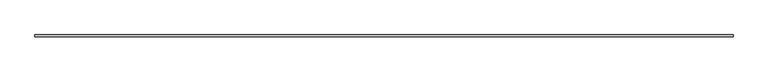
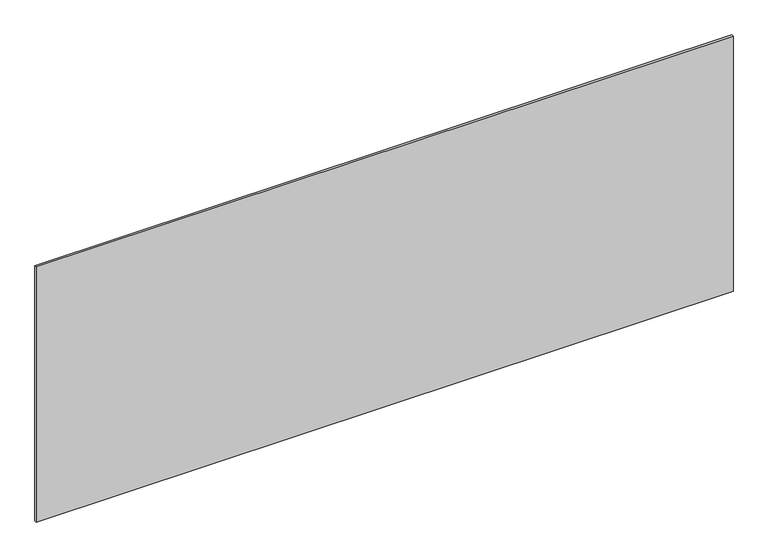
"""IFC4 building model written with IfcOpenShell, lengths in millimetres: plate geometry."""

from ifc_helpers import new_model, si_unit, origin, origin_with_axes, place, context, project, spatial, polyline, outline, extrude, source, transform, mapped, element, save


def plate_946257ad(model_context):
    return source(origin(), model_context, "Body", "SweptSolid", [
        extrude(outline(polyline([(1697.5, -5.0), (-1697.5, -5.0), (-1697.5, 5.0), (1697.5, 5.0), (1697.5, -5.0)])), origin_with_axes(), (0.0, 0.0, 1.0), 1313.9400382),
    ])


if __name__ == "__main__":
    model = new_model("IFC4")
    model_context = context("Model", 3, world=origin())
    ifc_project = project(units=[si_unit("LENGTHUNIT", "METRE", prefix="MILLI")], contexts=[model_context])
    site = spatial("IfcSite", under=ifc_project)
    building = spatial("IfcBuilding", under=site)
    placement = place(None, origin())
    plate_shape = plate_946257ad(model_context)
    element("IfcPlate", 1, at=placement, inside=building, context=model_context, shape_type="MappedRepresentation", body=[
        mapped(plate_shape, transform((0.0, 0.0, 0.0), x_axis=(1.0, 0.0, 0.0), y_axis=(0.0, 1.0, 0.0), z_axis=(0.0, 0.0, 1.0))),
    ])
    save(model, "model.ifc")
